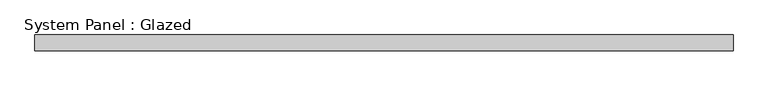
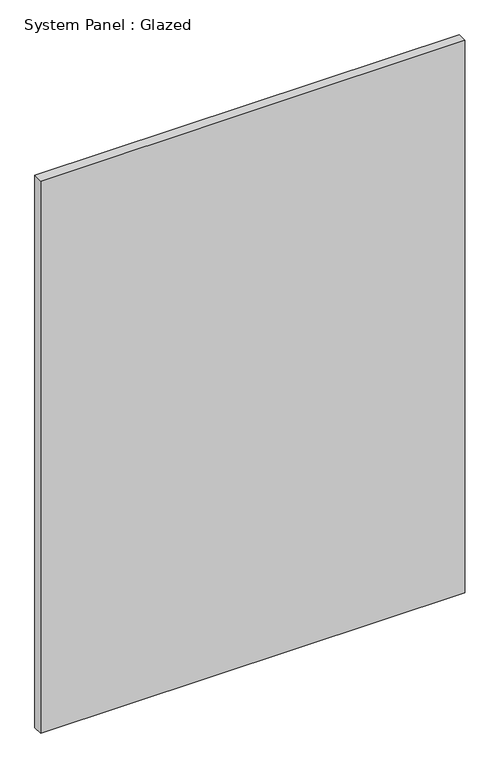
"""IFC4 building model written with IfcOpenShell, lengths in millimetres: plate geometry, System Panel : Glazed."""

import ifcopenshell
import ifcopenshell.guid

model = None  # the IFC model being written
_history = None  # IfcOwnerHistory: only IFC2X3 demands one
_inside = {}  # id of a spatial element -> (the spatial element, [elements in it])
_under = {}  # id of a project, library or spatial element -> (it, [spatial elements below it])
_declared = {}  # id of a project -> (the project, [libraries it declares])
_typed = {}  # id of a type object -> (the type object, [elements of that type])
_made_of = {}  # id of a material, layer set ... -> (it, [elements and type objects made of it])


def new_model(schema):
    """Start an empty IFC model of exactly this schema.

    Asked for "IFC4X3", IfcOpenShell would pick the latest addendum, in which some entities
    have other attributes; the version numbers below select the first issue.
    IFC2X3 requires an IfcOwnerHistory on every rooted entity: one is made here for all.
    """
    global model, _history
    if schema == "IFC4X3":
        model = ifcopenshell.file(schema_version=(4, 3, 0, 0))
    else:
        model = ifcopenshell.file(schema=schema)
    _inside.clear()
    _under.clear()
    _declared.clear()
    _typed.clear()
    _made_of.clear()
    _history = None
    if model.schema == "IFC2X3":
        org = make("IfcOrganization", Name="unknown")
        user = make(
            "IfcPersonAndOrganization",
            ThePerson=make("IfcPerson", FamilyName="unknown"),
            TheOrganization=org,
        )
        app = make(
            "IfcApplication",
            ApplicationDeveloper=org,
            Version="unknown",
            ApplicationFullName="unknown",
            ApplicationIdentifier="unknown",
        )
        _history = make(
            "IfcOwnerHistory",
            OwningUser=user,
            OwningApplication=app,
            ChangeAction="ADDED",
            CreationDate=0,
        )
    return model


def make(cls, **values):
    """One entity of the class cls with the attributes given. An attribute that is None is left unset."""
    return model.create_entity(
        cls, **{name: value for name, value in values.items() if value is not None}
    )


def rooted(cls, **values):
    """An entity with a GlobalId (a new one), such as an element, a storey or a relation."""
    return make(cls, GlobalId=ifcopenshell.guid.new(), OwnerHistory=_history, **values)


def si_unit(unit_type, name, prefix=None):
    """IfcSIUnit, for example si_unit("LENGTHUNIT", "METRE", prefix="MILLI")."""
    return make("IfcSIUnit", UnitType=unit_type, Prefix=prefix, Name=name)


def assignment(units):
    """IfcUnitAssignment: the units of a project."""
    return None if units is None else make("IfcUnitAssignment", Units=units)


def point(xyz):
    """IfcCartesianPoint."""
    return None if xyz is None else make("IfcCartesianPoint", Coordinates=xyz)


def direction(xyz):
    """IfcDirection."""
    return None if xyz is None else make("IfcDirection", DirectionRatios=xyz)


def frame(location, z_axis=None, x_axis=None):
    """IfcAxis2Placement3D, a coordinate frame: its origin and axes. An axis left out is left unset."""
    return make(
        "IfcAxis2Placement3D",
        Location=point(location),
        Axis=direction(z_axis),
        RefDirection=direction(x_axis),
    )


def origin():
    """The frame at (0, 0, 0) with its axes left unset."""
    return frame((0.0, 0.0, 0.0))


def origin_with_axes():
    """The frame at (0, 0, 0) with the z axis (0, 0, 1) and the x axis (1, 0, 0) written out."""
    return frame((0.0, 0.0, 0.0), z_axis=(0.0, 0.0, 1.0), x_axis=(1.0, 0.0, 0.0))


def place(relative_to, where):
    """IfcLocalPlacement: puts the frame where relative to a parent placement (None: the world)."""
    return make(
        "IfcLocalPlacement", PlacementRelTo=relative_to, RelativePlacement=where
    )


def context(
    kind, dimensions, precision=None, world=None, true_north=None, identifier=None
):
    """IfcGeometricRepresentationContext, for example the 3D "Model" context."""
    return make(
        "IfcGeometricRepresentationContext",
        ContextIdentifier=identifier,
        ContextType=kind,
        CoordinateSpaceDimension=dimensions,
        Precision=precision,
        WorldCoordinateSystem=world,
        TrueNorth=true_north,
    )


def project(units=None, contexts=None):
    """IfcProject with its units and contexts."""
    return rooted(
        "IfcProject",
        Name="project",
        RepresentationContexts=contexts,
        UnitsInContext=assignment(units),
    )


def spatial(cls, under=None, at=None, **own):
    """A site, building, storey or space (cls), placed at a placement, below another one or the project."""
    s = rooted(cls, ObjectPlacement=at, **own)
    if under is not None:
        _under.setdefault(under.id(), (under, []))[1].append(s)
    return s


def polyline(points):
    """IfcPolyline through the points."""
    return make("IfcPolyline", Points=[point(p) for p in points])


def outline(outer, holes=None, kind="AREA"):
    """IfcArbitraryClosedProfileDef: a profile drawn as a closed curve; with holes, ...WithVoids."""
    if holes is None:
        return make("IfcArbitraryClosedProfileDef", ProfileType=kind, OuterCurve=outer)
    return make(
        "IfcArbitraryProfileDefWithVoids",
        ProfileType=kind,
        OuterCurve=outer,
        InnerCurves=holes,
    )


def extrude(swept, where, along, depth):
    """IfcExtrudedAreaSolid: the profile swept, set in the frame where, extruded along a direction by depth."""
    return make(
        "IfcExtrudedAreaSolid",
        SweptArea=swept,
        Position=where,
        ExtrudedDirection=direction(along),
        Depth=depth,
    )


def shape(context_of_items, identifier, shape_type, items):
    """IfcShapeRepresentation: the items that make up one representation, for example the "Body"."""
    return make(
        "IfcShapeRepresentation",
        ContextOfItems=context_of_items,
        RepresentationIdentifier=identifier,
        RepresentationType=shape_type,
        Items=items,
    )


def source(mapping_origin, context_of_items, identifier, shape_type, items):
    """IfcRepresentationMap: a shape defined once, which mapped items show again and again."""
    return make(
        "IfcRepresentationMap",
        MappingOrigin=mapping_origin,
        MappedRepresentation=shape(context_of_items, identifier, shape_type, items),
    )


def transform(
    local_origin,
    x_axis=None,
    y_axis=None,
    z_axis=None,
    scale=None,
    scale2=None,
    scale3=None,
    uniform=True,
):
    """IfcCartesianTransformationOperator3D, or its non-uniform kind. x_axis, y_axis, z_axis: its Axis1, 2, 3."""
    if uniform:
        return make(
            "IfcCartesianTransformationOperator3D",
            Axis1=direction(x_axis),
            Axis2=direction(y_axis),
            LocalOrigin=point(local_origin),
            Scale=scale,
            Axis3=direction(z_axis),
        )
    return make(
        "IfcCartesianTransformationOperator3DnonUniform",
        Axis1=direction(x_axis),
        Axis2=direction(y_axis),
        LocalOrigin=point(local_origin),
        Scale=scale,
        Axis3=direction(z_axis),
        Scale2=scale2,
        Scale3=scale3,
    )


def mapped(mapping_source, mapping_target):
    """IfcMappedItem: shows the shape of a source again, moved by a transform."""
    return make(
        "IfcMappedItem", MappingSource=mapping_source, MappingTarget=mapping_target
    )


def made_of(thing, what):
    """Note that an element or type object is made of a material, layer set ...; save() writes the relation."""
    if what is not None:
        _made_of.setdefault(what.id(), (what, []))[1].append(thing)
    return thing


def element(
    cls,
    number,
    at=None,
    inside=None,
    cuts=None,
    type_object=None,
    material=None,
    context=None,
    identifier="Body",
    shape_type=None,
    held_by="IfcProductDefinitionShape",
    body=None,
    shapes=None,
    **own,
):
    """One element of the class cls, such as IfcWall. Its Tag is "e" and its number.

    at: its placement. inside: the storey or other place that contains it. cuts: it is an
    opening in that element (IfcRelVoidsElement). A single representation is given by context,
    identifier, shape_type and body (its items); several are given by shapes. held_by: the class
    of the entity that holds the representations. save() writes the other relations.
    """
    e = rooted(cls, Tag="e%d" % number, ObjectPlacement=at, **own)
    if body is not None:
        shapes = [shape(context, identifier, shape_type, body)]
    if shapes is not None:
        e.Representation = make(held_by, Representations=shapes)
    if inside is not None:
        _inside.setdefault(inside.id(), (inside, []))[1].append(e)
    if cuts is not None:
        rooted(
            "IfcRelVoidsElement", RelatingBuildingElement=cuts, RelatedOpeningElement=e
        )
    if type_object is not None:
        _typed.setdefault(type_object.id(), (type_object, []))[1].append(e)
    return made_of(e, material)


def aggregate(whole, parts):
    """IfcRelAggregates: a whole, such as a stair, and the parts it consists of."""
    return rooted("IfcRelAggregates", RelatingObject=whole, RelatedObjects=parts)


def save(model, path):
    """Write the relations noted so far, then the file.

    IfcRelAggregates (storeys below a building ...), IfcRelContainedInSpatialStructure (elements
    in a storey), IfcRelDefinesByType, IfcRelAssociatesMaterial and IfcRelDeclares: one each for
    every whole, place, type object, material and project.
    """
    for whole, parts in _under.values():
        aggregate(whole, parts)
    for where, things in _inside.values():
        rooted(
            "IfcRelContainedInSpatialStructure",
            RelatedElements=things,
            RelatingStructure=where,
        )
    for kind, things in _typed.values():
        rooted("IfcRelDefinesByType", RelatedObjects=things, RelatingType=kind)
    for what, things in _made_of.values():
        rooted("IfcRelAssociatesMaterial", RelatedObjects=things, RelatingMaterial=what)
    for by, libraries in _declared.values():
        rooted("IfcRelDeclares", RelatingContext=by, RelatedDefinitions=libraries)
    model.write(path)


def system_panel_glazed_efbe7f48(model_context):
    return source(origin(), model_context, "Body", "SweptSolid", [
        extrude(outline(polyline([(545.3913591, -49.5), (-545.3913591, -49.5), (-545.3913591, -24.5), (545.3913591, -24.5), (545.3913591, -49.5)])), origin_with_axes(), (0.0, 0.0, 1.0), 1500.0),
    ])


if __name__ == "__main__":
    model = new_model("IFC4")
    model_context = context("Model", 3, world=origin())
    ifc_project = project(units=[si_unit("LENGTHUNIT", "METRE", prefix="MILLI")], contexts=[model_context])
    site = spatial("IfcSite", under=ifc_project)
    building = spatial("IfcBuilding", under=site)
    placement = place(None, origin())
    system_panel_glazed_shape = system_panel_glazed_efbe7f48(model_context)
    element("IfcPlate", 1, ObjectType="System Panel : Glazed", at=placement, inside=building, context=model_context, shape_type="MappedRepresentation", body=[
        mapped(system_panel_glazed_shape, transform((0.0, 0.0, 0.0), x_axis=(1.0, 0.0, 0.0), y_axis=(0.0, 1.0, 0.0), z_axis=(0.0, 0.0, 1.0))),
    ])
    save(model, "model.ifc")
